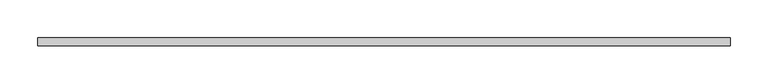
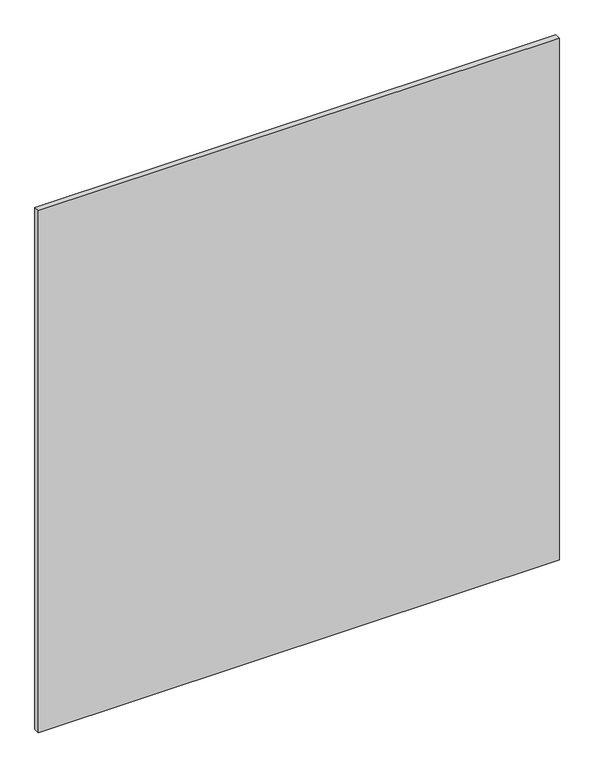
"""IFC4 building model written with IfcOpenShell, lengths in millimetres: plate geometry."""

from ifc_helpers import new_model, si_unit, origin, origin_with_axes, place, context, project, spatial, polyline, outline, extrude, source, transform, mapped, element, save


def plate_977ef303(model_context):
    return source(origin(), model_context, "Body", "SweptSolid", [
        extrude(outline(polyline([(456.0, -5.0), (-456.0, -5.0), (-456.0, 5.0), (456.0, 5.0), (456.0, -5.0)])), origin_with_axes(), (0.0, 0.0, 1.0), 966.0),
    ])


if __name__ == "__main__":
    model = new_model("IFC4")
    model_context = context("Model", 3, world=origin())
    ifc_project = project(units=[si_unit("LENGTHUNIT", "METRE", prefix="MILLI")], contexts=[model_context])
    site = spatial("IfcSite", under=ifc_project)
    building = spatial("IfcBuilding", under=site)
    placement = place(None, origin())
    plate_shape = plate_977ef303(model_context)
    element("IfcPlate", 1, at=placement, inside=building, context=model_context, shape_type="MappedRepresentation", body=[
        mapped(plate_shape, transform((0.0, 0.0, 0.0), x_axis=(1.0, 0.0, 0.0), y_axis=(0.0, 1.0, 0.0), z_axis=(0.0, 0.0, 1.0))),
    ])
    save(model, "model.ifc")
